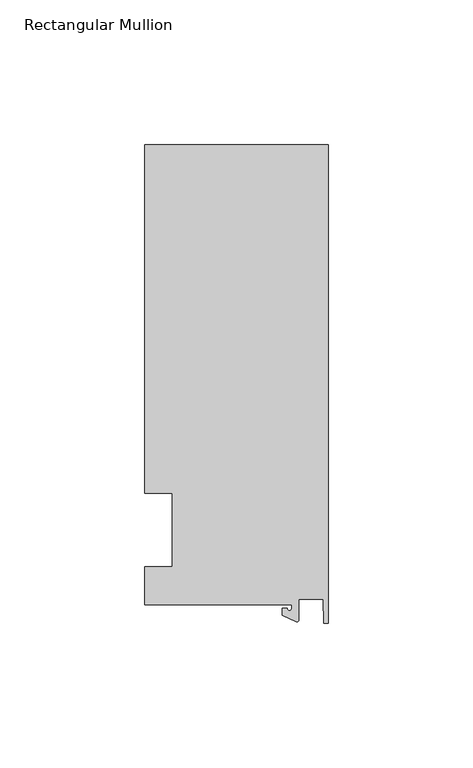
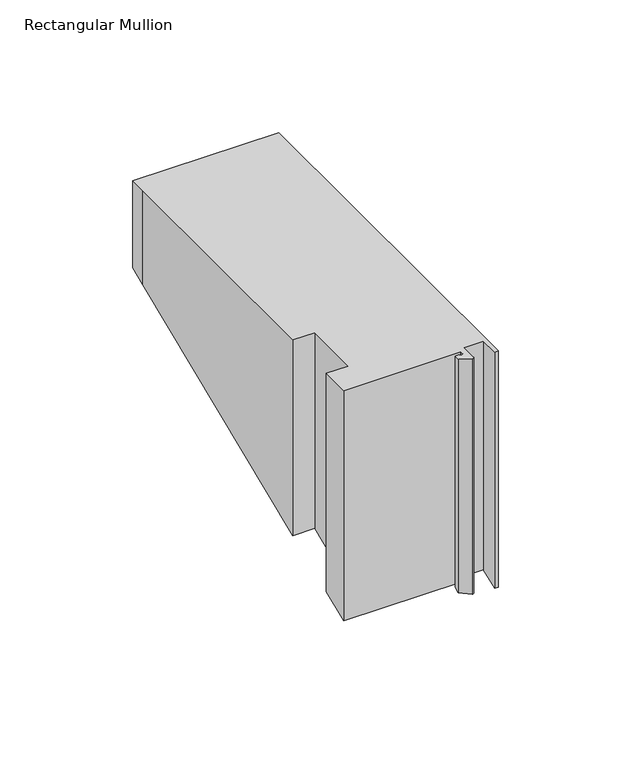
"""IFC4 building model written with IfcOpenShell, lengths in millimetres: member geometry, Rectangular Mullion."""

from ifc_helpers import new_model, si_unit, frame, origin, place, context, project, spatial, polyline, circle_curve, ellipse_curve, source, transform, mapped, element, save
from ifc_brep_helpers import plane_surface, cylinder_surface, revolved_surface, advanced_brep


def rectangular_mullion_f544f148(model_context):
    return source(origin(), model_context, "Body", "AdvancedBrep", [
        advanced_brep(
        [(-12.6173814, -25.796875, 0.0), (-12.6173814, -27.0827507, 0.0), (-14.2048814, -27.0827507, 0.0), (-15.7923814, -27.0827507, 0.0), (-15.7923814, -29.44495, 0.0), (-10.9524715, -31.7018371, 0.0), (-10.2297814, -31.2414327, 0.0), (-10.2297814, -23.9227662, 0.0), (-1.7144124, -23.9227662, 0.0), (-1.5658966, -32.288874, 0.0), (0.0, -32.288874, 0.0), (0.0, 133.34365, 0.0), (-63.5, 133.34365, 0.0), (-63.5, 125.8114907, 0.0), (-63.5, 12.7, 0.0), (-53.975, 12.7, 0.0), (-53.975, -12.7, 0.0), (-63.5, -12.7, 0.0), (-63.5, -25.796875, 0.0), (-12.6173814, -25.796875, -105.9354155), (-12.6173814, -27.0827507, -106.4680426), (-14.2048814, -27.0827507, -106.4680426), (-15.7923814, -27.0827507, -106.4680426), (-15.7923814, -29.44495, -107.4464976), (-10.9524715, -31.7018371, -108.3813309), (-10.2297814, -31.2414327, -108.1906251), (-10.2297814, -23.9227662, -105.1591342), (-1.7144124, -23.9227662, -105.1591342), (-1.5658966, -32.288874, -108.6244895), (0.0, -32.288874, -108.6244895), (0.0, 133.34365, -40.0172517), (-63.5, 133.34365, -40.0172517), (-63.5, 125.8114907, -43.1371743), (-63.5, 12.7, -89.9894878), (-53.975, 12.7, -89.9894878), (-53.975, -12.7, -100.5105122), (-63.5, -12.7, -100.5105122), (-63.5, -25.796875, -105.9354155)],
        [
            (0, 1),
            (1, 2, circle_curve(frame((-13.4111314, -27.0827507, 0.0), z_axis=(0.0, 0.0, -1.0), x_axis=(-1.0, 0.0, 0.0)), 0.79375)),
            (2, 3),
            (3, 4),
            (4, 5),
            (5, 6, circle_curve(frame((-10.7377814, -31.2414327, 0.0), z_axis=(0.0, 0.0, 1.0), x_axis=(-1.0, 0.0, 0.0)), 0.508)),
            (6, 7),
            (7, 8),
            (8, 9),
            (9, 10),
            (10, 11),
            (11, 12),
            (12, 13),
            (13, 14),
            (14, 15),
            (15, 16),
            (16, 17),
            (17, 18),
            (18, 0),
            (0, 19),
            (19, 20),
            (20, 1),
            (20, 21, ellipse_curve(frame((-13.4111314, -27.0827507, -106.4680426), z_axis=(0.0, 0.3826834323650906, -0.9238795325112864), x_axis=(0.0, -0.9238795325112864, -0.3826834323650908)), 0.8591488, 0.79375)),
            (21, 2),
            (21, 22),
            (22, 3),
            (22, 23),
            (23, 4),
            (23, 24),
            (24, 5),
            (24, 25, ellipse_curve(frame((-10.7377814, -31.2414327, -108.1906251), z_axis=(0.0, -0.3826834323650906, 0.9238795325112864), x_axis=(0.0, 0.9238795325112864, 0.3826834323650908)), 0.5498552, 0.508)),
            (25, 6),
            (25, 26),
            (26, 7),
            (26, 27),
            (27, 8),
            (27, 28),
            (28, 9),
            (28, 29),
            (29, 10),
            (29, 30),
            (30, 11),
            (30, 31),
            (31, 12),
            (13, 32),
            (32, 33),
            (33, 14),
            (33, 34),
            (34, 15),
            (34, 35),
            (35, 16),
            (35, 36),
            (36, 17),
            (36, 37),
            (37, 18),
            (37, 19),
            (32, 31),
        ],
        [
            plane_surface(frame((0.0, -147.6914994, 0.0), z_axis=(0.0, 0.0, 1.0), x_axis=(-1.0, 0.0, 0.0))),
            plane_surface(frame((-12.6173814, -25.796875, 0.0), z_axis=(-1.0, 0.0, 0.0), x_axis=(0.0, 0.0, -1.0))),
            revolved_surface(polyline([(-14.2048814, -27.0827507, -106.79682461169635), (-14.2048814, -27.0827507, 0.0)]), (-13.4111314, -27.0827507, 0.0), (0.0, 0.0, -1.0)),
            plane_surface(frame((-14.2048814, -27.0827507, 0.0), z_axis=(0.0, 1.0, 0.0), x_axis=(0.0, 0.0, -1.0))),
            plane_surface(frame((-15.7923814, -27.0827507, 0.0), z_axis=(-1.0, 0.0, 0.0), x_axis=(0.0, 0.0, -1.0))),
            plane_surface(frame((-15.7923814, -29.44495, 0.0), z_axis=(-0.4226182617406985, -0.9063077870366505, 0.0), x_axis=(0.0, 0.0, -1.0))),
            cylinder_surface(frame((-10.7377814, -31.2414327, 0.0), z_axis=(0.0, 0.0, 1.0), x_axis=(-1.0, 0.0, 0.0)), 0.508),
            plane_surface(frame((-10.2297814, -31.2414327, 0.0), z_axis=(1.0, 0.0, 0.0), x_axis=(0.0, 0.0, -1.0))),
            plane_surface(frame((-10.2297814, -23.9227662, 0.0), z_axis=(0.0, -1.0, 0.0), x_axis=(0.0, 0.0, -1.0))),
            plane_surface(frame((-1.7144124, -23.9227662, 0.0), z_axis=(-0.9998424690407919, -0.017749284560600327, 0.0), x_axis=(0.0, 0.0, -1.0))),
            plane_surface(frame((-1.5658966, -32.288874, 0.0), z_axis=(0.0, -1.0, 0.0), x_axis=(0.0, 0.0, -1.0))),
            plane_surface(frame((0.0, -32.288874, 0.0), z_axis=(1.0, 0.0, 0.0), x_axis=(0.0, 0.0, -1.0))),
            plane_surface(frame((0.0, 133.34365, 0.0), z_axis=(0.0, 1.0, 0.0), x_axis=(0.0, 0.0, -1.0))),
            plane_surface(frame((-63.5, 125.8114907, 0.0), z_axis=(-1.0, 0.0, 0.0), x_axis=(0.0, 0.0, -1.0))),
            plane_surface(frame((-63.5, 12.7, 0.0), z_axis=(0.0, -1.0, 0.0), x_axis=(0.0, 0.0, -1.0))),
            plane_surface(frame((-53.975, 12.7, 0.0), z_axis=(-1.0, 0.0, 0.0), x_axis=(0.0, 0.0, -1.0))),
            plane_surface(frame((-53.975, -12.7, 0.0), z_axis=(0.0, 1.0, 0.0), x_axis=(0.0, 0.0, -1.0))),
            plane_surface(frame((-63.5, -12.7, 0.0), z_axis=(-1.0, 0.0, 0.0), x_axis=(0.0, 0.0, -1.0))),
            plane_surface(frame((-63.5, -25.796875, 0.0), z_axis=(0.0, -1.0, 0.0), x_axis=(0.0, 0.0, -1.0))),
            plane_surface(frame((-304.8, 0.0, -95.25), z_axis=(0.0, 0.3826834323650906, -0.9238795325112864), x_axis=(0.0, 0.9238795325112864, 0.3826834323650906))),
            plane_surface(frame((-63.5, 133.34365, 0.0), z_axis=(-1.0, 0.0, 0.0), x_axis=(0.0, 0.0, -1.0))),
        ],
        [
            (0, [[1, 2, 3, 4, 5, 6, 7, 8, 9, 10, 11, 12, 13, 14, 15, 16, 17, 18, 19]]),
            (1, [[-1, 20, 21, 22]]),
            (2, [[-2, -22, 23, 24]]),
            (3, [[-3, -24, 25, 26]]),
            (4, [[-4, -26, 27, 28]]),
            (5, [[-5, -28, 29, 30]]),
            (6, [[-6, -30, 31, 32]]),
            (7, [[-7, -32, 33, 34]]),
            (8, [[-8, -34, 35, 36]]),
            (9, [[-9, -36, 37, 38]]),
            (10, [[-10, -38, 39, 40]]),
            (11, [[-11, -40, 41, 42]]),
            (12, [[-12, -42, 43, 44]]),
            (13, [[-14, 45, 46, 47]]),
            (14, [[-15, -47, 48, 49]]),
            (15, [[-16, -49, 50, 51]]),
            (16, [[-17, -51, 52, 53]]),
            (17, [[-18, -53, 54, 55]]),
            (18, [[-19, -55, 56, -20]]),
            (19, [[-56, -54, -52, -50, -48, -46, 57, -43, -41, -39, -37, -35, -33, -31, -29, -27, -25, -23, -21]]),
            (20, [[-13, -44, -57, -45]]),
        ],
    ),
    ])


if __name__ == "__main__":
    model = new_model("IFC4")
    model_context = context("Model", 3, world=origin())
    ifc_project = project(units=[si_unit("LENGTHUNIT", "METRE", prefix="MILLI")], contexts=[model_context])
    site = spatial("IfcSite", under=ifc_project)
    building = spatial("IfcBuilding", under=site)
    placement = place(None, origin())
    rectangular_mullion_shape = rectangular_mullion_f544f148(model_context)
    element("IfcMember", 1, ObjectType="Rectangular Mullion", at=placement, inside=building, context=model_context, shape_type="MappedRepresentation", body=[
        mapped(rectangular_mullion_shape, transform((0.0, 0.0, 0.0), x_axis=(1.0, 0.0, 0.0), y_axis=(0.0, 1.0, 0.0), z_axis=(0.0, 0.0, 1.0))),
    ])
    save(model, "model.ifc")
